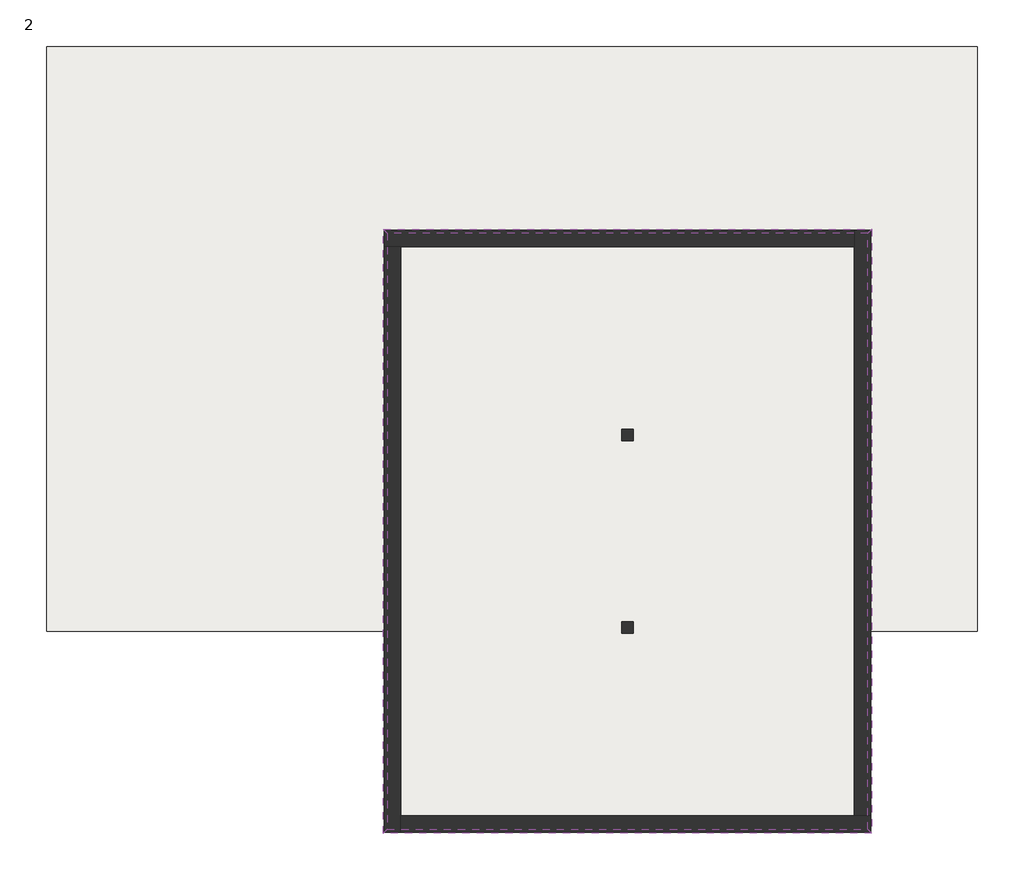
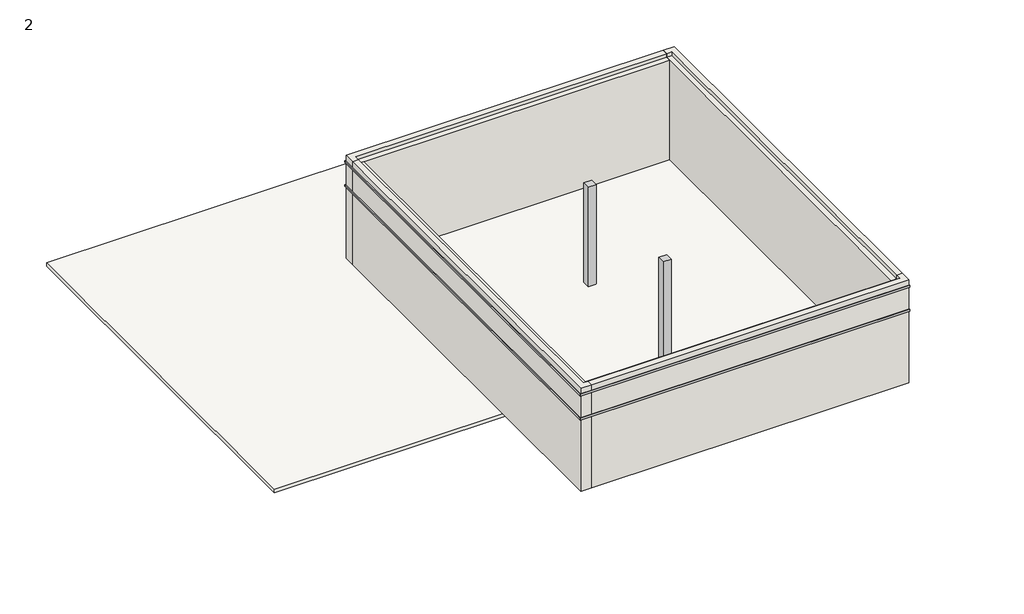
# One storey: 8 proxies, 4 walls, 2 columns, 1 slab.
"""IFC4 building model written with IfcOpenShell, lengths in millimetres."""

from ifc_helpers import new_model, si_unit, frame, origin, place, context, project, spatial, polyline, outline, extrude, faceted_brep, element, save

model = new_model("IFC4")

# Units and contexts
model_context = context("Model", 3, world=origin())
ifc_project = project(units=[si_unit("LENGTHUNIT", "METRE", prefix="MILLI")], contexts=[model_context])

# Site, building, storey
site = spatial("IfcSite", under=ifc_project)
building = spatial("IfcBuilding", under=site)
storey = spatial("IfcBuildingStorey", under=building, Name="2", Elevation=8400.0)

# Proxies
placement = place(None, origin())
element("IfcBuildingElementProxy", 1, Name="Reveals", at=placement, inside=storey, context=model_context, shape_type="SweptSolid", body=[
    extrude(outline(polyline([(-7298.387527, 10039.0054116), (-7400.887527, 10141.5054116), (5291.112473, 10141.5054116), (5188.612473, 10039.0054116), (-7298.387527, 10039.0054116)])), frame((0.0, 0.0, 11325.0), z_axis=(0.0, 0.0, 1.0), x_axis=(1.0, 0.0, 0.0)), (0.0, 0.0, 1.0), 75.0),
])
element("IfcBuildingElementProxy", 2, Name="Reveals", at=placement, inside=storey, context=model_context, shape_type="SweptSolid", body=[
    extrude(outline(polyline([(-7298.387527, 10039.0054116), (-7400.887527, 10141.5054116), (5291.112473, 10141.5054116), (5188.612473, 10039.0054116), (-7298.387527, 10039.0054116)])), frame((0.0, 0.0, 12300.0), z_axis=(0.0, 0.0, 1.0), x_axis=(1.0, 0.0, 0.0)), (0.0, 0.0, 1.0), 75.0),
])
element("IfcBuildingElementProxy", 3, Name="Reveals", at=placement, inside=storey, context=model_context, shape_type="SweptSolid", body=[
    extrude(outline(polyline([(-7298.387527, -5454.9945884), (-7400.887527, -5557.4945884), (-7400.887527, 10141.5054116), (-7298.387527, 10039.0054116), (-7298.387527, -5454.9945884)])), frame((0.0, 0.0, 11325.0), z_axis=(0.0, 0.0, 1.0), x_axis=(1.0, 0.0, 0.0)), (0.0, 0.0, 1.0), 75.0),
])
element("IfcBuildingElementProxy", 4, Name="Reveals", at=placement, inside=storey, context=model_context, shape_type="SweptSolid", body=[
    extrude(outline(polyline([(-7298.387527, -5454.9945884), (-7400.887527, -5557.4945884), (-7400.887527, 10141.5054116), (-7298.387527, 10039.0054116), (-7298.387527, -5454.9945884)])), frame((0.0, 0.0, 12300.0), z_axis=(0.0, 0.0, 1.0), x_axis=(1.0, 0.0, 0.0)), (0.0, 0.0, 1.0), 75.0),
])
element("IfcBuildingElementProxy", 5, Name="Reveals", at=placement, inside=storey, context=model_context, shape_type="SweptSolid", body=[
    extrude(outline(polyline([(5188.612473, -5454.9945884), (5291.112473, -5557.4945884), (-7400.887527, -5557.4945884), (-7298.387527, -5454.9945884), (5188.612473, -5454.9945884)])), frame((0.0, 0.0, 11325.0), z_axis=(0.0, 0.0, 1.0), x_axis=(1.0, 0.0, 0.0)), (0.0, 0.0, 1.0), 75.0),
])
element("IfcBuildingElementProxy", 6, Name="Reveals", at=placement, inside=storey, context=model_context, shape_type="SweptSolid", body=[
    extrude(outline(polyline([(5188.612473, -5454.9945884), (5291.112473, -5557.4945884), (-7400.887527, -5557.4945884), (-7298.387527, -5454.9945884), (5188.612473, -5454.9945884)])), frame((0.0, 0.0, 12300.0), z_axis=(0.0, 0.0, 1.0), x_axis=(1.0, 0.0, 0.0)), (0.0, 0.0, 1.0), 75.0),
])
element("IfcBuildingElementProxy", 7, Name="Reveals", at=placement, inside=storey, context=model_context, shape_type="SweptSolid", body=[
    extrude(outline(polyline([(5188.612473, 10039.0054116), (5291.112473, 10141.5054116), (5291.112473, -5557.4945884), (5188.612473, -5454.9945884), (5188.612473, 10039.0054116)])), frame((0.0, 0.0, 11325.0), z_axis=(0.0, 0.0, 1.0), x_axis=(1.0, 0.0, 0.0)), (0.0, 0.0, 1.0), 75.0),
])
element("IfcBuildingElementProxy", 8, Name="Reveals", at=placement, inside=storey, context=model_context, shape_type="SweptSolid", body=[
    extrude(outline(polyline([(5188.612473, 10039.0054116), (5291.112473, 10141.5054116), (5291.112473, -5557.4945884), (5188.612473, -5454.9945884), (5188.612473, 10039.0054116)])), frame((0.0, 0.0, 12300.0), z_axis=(0.0, 0.0, 1.0), x_axis=(1.0, 0.0, 0.0)), (0.0, 0.0, 1.0), 75.0),
])

# Columns
element("IfcColumn", 9, ObjectType="300 x 300 mm", at=placement, inside=storey, context=model_context, shape_type="SweptSolid", body=[
    extrude(outline(polyline([(-908.387527, 4942.0054116), (-908.387527, 4642.0054116), (-1208.387527, 4642.0054116), (-1208.387527, 4942.0054116), (-908.387527, 4942.0054116)])), frame((0.0, 0.0, 8400.0), z_axis=(0.0, 0.0, 1.0), x_axis=(1.0, 0.0, 0.0)), (0.0, 0.0, 1.0), 4050.0),
])
element("IfcColumn", 10, ObjectType="300 x 300 mm", at=placement, inside=storey, context=model_context, shape_type="SweptSolid", body=[
    extrude(outline(polyline([(-908.387527, -57.9945884), (-908.387527, -357.9945884), (-1208.387527, -357.9945884), (-1208.387527, -57.9945884), (-908.387527, -57.9945884)])), frame((0.0, 0.0, 8400.0), z_axis=(0.0, 0.0, 1.0), x_axis=(1.0, 0.0, 0.0)), (0.0, 0.0, 1.0), 4050.0),
])

# Slab
element("IfcSlab", 11, at=placement, inside=storey, context=model_context, shape_type="Brep", body=[
    faceted_brep([(8036.612473, 14887.0054116, 8250.0), (8036.612473, 14685.0054116, 8250.0), (8036.612473, -302.9945884, 8250.0), (7834.612473, -302.9945884, 8250.0), (5036.612473, -302.9945884, 8250.0), (5036.612473, -529.9945884, 8250.0), (5036.612473, -5302.9945884, 8250.0), (4834.612473, -5302.9945884, 8250.0), (-7153.387527, -5302.9945884, 8250.0), (-7153.387527, -5100.9945884, 8250.0), (-7153.387527, -302.9945884, 8250.0), (-7380.387527, -302.9945884, 8250.0), (-16153.387527, -302.9945884, 8250.0), (-16153.387527, -100.9945884, 8250.0), (-16153.387527, 14685.0054116, 8250.0), (-16153.387527, 14887.0054116, 8250.0), (8036.612473, 14887.0054116, 8400.0), (-16153.387527, 14887.0054116, 8400.0), (-16153.387527, 14685.0054116, 8400.0), (-16153.387527, -100.9945884, 8400.0), (-16153.387527, -302.9945884, 8400.0), (-7380.387527, -302.9945884, 8400.0), (-7153.387527, -302.9945884, 8400.0), (-7153.387527, -5100.9945884, 8400.0), (-7153.387527, -5302.9945884, 8400.0), (4834.612473, -5302.9945884, 8400.0), (5036.612473, -5302.9945884, 8400.0), (5036.612473, -529.9945884, 8400.0), (5036.612473, -302.9945884, 8400.0), (7834.612473, -302.9945884, 8400.0), (8036.612473, -302.9945884, 8400.0), (8036.612473, 14685.0054116, 8400.0)], [[[0, 1, 2, 3, 4, 5, 6, 7, 8, 9, 10, 11, 12, 13, 14, 15]], [[16, 17, 18, 19, 20, 21, 22, 23, 24, 25, 26, 27, 28, 29, 30, 31]], [[2, 1, 0, 16, 31, 30]], [[4, 3, 2, 30, 29, 28]], [[6, 5, 4, 28, 27, 26]], [[8, 7, 6, 26, 25, 24]], [[10, 9, 8, 24, 23, 22]], [[12, 11, 10, 22, 21, 20]], [[15, 14, 13, 12, 20, 19, 18, 17]], [[0, 15, 17, 16]]]),
])

# Walls
element("IfcWall", 12, at=placement, inside=storey, context=model_context, shape_type="Brep", body=[
    faceted_brep([(-7373.387527, 9685.0054116, 8400.0), (-6944.387527, 9685.0054116, 8400.0), (4834.612473, 9685.0054116, 8400.0), (4834.612473, 9685.0054116, 12450.0), (-6944.387527, 9685.0054116, 12450.0), (-7146.387527, 9685.0054116, 12450.0), (-7146.387527, 9685.0054116, 12600.0), (-7373.387527, 9685.0054116, 12600.0), (-7373.387527, 9685.0054116, 12375.0), (-7298.387527, 9685.0054116, 12375.0), (-7298.387527, 9685.0054116, 12300.0), (-7373.387527, 9685.0054116, 12300.0), (-7373.387527, 9685.0054116, 11400.0), (-7298.387527, 9685.0054116, 11400.0), (-7298.387527, 9685.0054116, 11325.0), (-7373.387527, 9685.0054116, 11325.0), (-7373.387527, 10114.0054116, 12600.0), (4834.612473, 10114.0054116, 12600.0), (4834.612473, 10114.0054116, 12375.0), (-7373.387527, 10114.0054116, 12375.0), (4834.612473, 10114.0054116, 8400.0), (-7373.387527, 10114.0054116, 8400.0), (-7373.387527, 10114.0054116, 11325.0), (4834.612473, 10114.0054116, 11325.0), (4834.612473, 10114.0054116, 12300.0), (4834.612473, 10114.0054116, 11400.0), (-7373.387527, 10114.0054116, 11400.0), (-7373.387527, 10114.0054116, 12300.0), (-7146.387527, 9887.0054116, 12600.0), (4834.612473, 9887.0054116, 12600.0), (-7373.387527, 10089.0054116, 8400.0), (4834.612473, 10089.0054116, 8400.0), (4834.612473, 10039.0054116, 11325.0), (4834.612473, 10039.0054116, 11400.0), (4834.612473, 10039.0054116, 12300.0), (4834.612473, 10039.0054116, 12375.0), (4834.612473, 9887.0054116, 12450.0), (-7298.387527, 10039.0054116, 11325.0), (-7298.387527, 10039.0054116, 11400.0), (-7298.387527, 10039.0054116, 12300.0), (-7298.387527, 10039.0054116, 12375.0), (-7146.387527, 9887.0054116, 12450.0)], [[[0, 1, 2, 3, 4, 5, 6, 7, 8, 9, 10, 11, 12, 13, 14, 15]], [[16, 17, 18, 19]], [[20, 21, 22, 23]], [[24, 25, 26, 27]], [[17, 16, 7, 6, 28, 29]], [[7, 16, 19, 8]], [[30, 0, 15, 22, 21]], [[27, 26, 12, 11]], [[2, 31, 20, 23, 32, 33, 25, 24, 34, 35, 18, 17, 29, 36, 3]], [[2, 1, 0, 30, 31]], [[30, 21, 20, 31]], [[37, 38, 33, 32]], [[39, 40, 35, 34]], [[33, 38, 13, 12, 26, 25]], [[37, 32, 23, 22, 15, 14]], [[38, 37, 14, 13]], [[35, 40, 9, 8, 19, 18]], [[39, 34, 24, 27, 11, 10]], [[40, 39, 10, 9]], [[36, 41, 5, 4, 3]], [[41, 28, 6, 5]], [[28, 41, 36, 29]]]),
])
element("IfcWall", 13, at=placement, inside=storey, context=model_context, shape_type="Brep", body=[
    faceted_brep([(-6944.387527, -5529.9945884, 8400.0), (-6944.387527, -5100.9945884, 8400.0), (-6944.387527, 9685.0054116, 8400.0), (-6944.387527, 9685.0054116, 12450.0), (-6944.387527, -5302.9945884, 12450.0), (-6944.387527, -5302.9945884, 12600.0), (-6944.387527, -5529.9945884, 12600.0), (-6944.387527, -5529.9945884, 12375.0), (-6944.387527, -5454.9945884, 12375.0), (-6944.387527, -5454.9945884, 12300.0), (-6944.387527, -5529.9945884, 12300.0), (-6944.387527, -5529.9945884, 11400.0), (-6944.387527, -5454.9945884, 11400.0), (-6944.387527, -5454.9945884, 11325.0), (-6944.387527, -5529.9945884, 11325.0), (-7373.387527, -5529.9945884, 12600.0), (-7373.387527, 9685.0054116, 12600.0), (-7373.387527, 9685.0054116, 12375.0), (-7373.387527, -5529.9945884, 12375.0), (-7373.387527, 9685.0054116, 8400.0), (-7373.387527, -5529.9945884, 8400.0), (-7373.387527, -5529.9945884, 11325.0), (-7373.387527, 9685.0054116, 11325.0), (-7373.387527, 9685.0054116, 12300.0), (-7373.387527, 9685.0054116, 11400.0), (-7373.387527, -5529.9945884, 11400.0), (-7373.387527, -5529.9945884, 12300.0), (-7146.387527, -5302.9945884, 12600.0), (-7146.387527, 9685.0054116, 12600.0), (-7348.387527, -5529.9945884, 8400.0), (-7348.387527, 9685.0054116, 8400.0), (-7298.387527, 9685.0054116, 11325.0), (-7298.387527, 9685.0054116, 11400.0), (-7298.387527, 9685.0054116, 12300.0), (-7298.387527, 9685.0054116, 12375.0), (-7146.387527, 9685.0054116, 12450.0), (-7298.387527, -5454.9945884, 11325.0), (-7298.387527, -5454.9945884, 11400.0), (-7298.387527, -5454.9945884, 12300.0), (-7298.387527, -5454.9945884, 12375.0), (-7146.387527, -5302.9945884, 12450.0)], [[[0, 1, 2, 3, 4, 5, 6, 7, 8, 9, 10, 11, 12, 13, 14]], [[15, 16, 17, 18]], [[19, 20, 21, 22]], [[23, 24, 25, 26]], [[16, 15, 6, 5, 27, 28]], [[6, 15, 18, 7]], [[29, 0, 14, 21, 20]], [[26, 25, 11, 10]], [[2, 30, 19, 22, 31, 32, 24, 23, 33, 34, 17, 16, 28, 35, 3]], [[2, 1, 0, 29, 30]], [[29, 20, 19, 30]], [[36, 37, 32, 31]], [[38, 39, 34, 33]], [[32, 37, 12, 11, 25, 24]], [[36, 31, 22, 21, 14, 13]], [[37, 36, 13, 12]], [[34, 39, 8, 7, 18, 17]], [[38, 33, 23, 26, 10, 9]], [[39, 38, 9, 8]], [[35, 40, 4, 3]], [[40, 27, 5, 4]], [[27, 40, 35, 28]]]),
])
element("IfcWall", 14, at=placement, inside=storey, context=model_context, shape_type="Brep", body=[
    faceted_brep([(5263.612473, -5100.9945884, 8400.0), (4834.612473, -5100.9945884, 8400.0), (-6944.387527, -5100.9945884, 8400.0), (-6944.387527, -5100.9945884, 12450.0), (4834.612473, -5100.9945884, 12450.0), (5036.612473, -5100.9945884, 12450.0), (5036.612473, -5100.9945884, 12600.0), (5263.612473, -5100.9945884, 12600.0), (5263.612473, -5100.9945884, 12375.0), (5188.612473, -5100.9945884, 12375.0), (5188.612473, -5100.9945884, 12300.0), (5263.612473, -5100.9945884, 12300.0), (5263.612473, -5100.9945884, 11400.0), (5188.612473, -5100.9945884, 11400.0), (5188.612473, -5100.9945884, 11325.0), (5263.612473, -5100.9945884, 11325.0), (5263.612473, -5529.9945884, 12600.0), (-6944.387527, -5529.9945884, 12600.0), (-6944.387527, -5529.9945884, 12375.0), (5263.612473, -5529.9945884, 12375.0), (-6944.387527, -5529.9945884, 8400.0), (5263.612473, -5529.9945884, 8400.0), (5263.612473, -5529.9945884, 11325.0), (-6944.387527, -5529.9945884, 11325.0), (-6944.387527, -5529.9945884, 12300.0), (-6944.387527, -5529.9945884, 11400.0), (5263.612473, -5529.9945884, 11400.0), (5263.612473, -5529.9945884, 12300.0), (5036.612473, -5302.9945884, 12600.0), (-6944.387527, -5302.9945884, 12600.0), (5263.612473, -5504.9945884, 8400.0), (-6944.387527, -5504.9945884, 8400.0), (-6944.387527, -5454.9945884, 11325.0), (-6944.387527, -5454.9945884, 11400.0), (-6944.387527, -5454.9945884, 12300.0), (-6944.387527, -5454.9945884, 12375.0), (-6944.387527, -5302.9945884, 12450.0), (5188.612473, -5454.9945884, 11325.0), (5188.612473, -5454.9945884, 11400.0), (5188.612473, -5454.9945884, 12300.0), (5188.612473, -5454.9945884, 12375.0), (5036.612473, -5302.9945884, 12450.0)], [[[0, 1, 2, 3, 4, 5, 6, 7, 8, 9, 10, 11, 12, 13, 14, 15]], [[16, 17, 18, 19]], [[20, 21, 22, 23]], [[24, 25, 26, 27]], [[17, 16, 7, 6, 28, 29]], [[7, 16, 19, 8]], [[30, 0, 15, 22, 21]], [[27, 26, 12, 11]], [[2, 31, 20, 23, 32, 33, 25, 24, 34, 35, 18, 17, 29, 36, 3]], [[2, 1, 0, 30, 31]], [[30, 21, 20, 31]], [[37, 38, 33, 32]], [[39, 40, 35, 34]], [[33, 38, 13, 12, 26, 25]], [[37, 32, 23, 22, 15, 14]], [[38, 37, 14, 13]], [[35, 40, 9, 8, 19, 18]], [[39, 34, 24, 27, 11, 10]], [[40, 39, 10, 9]], [[36, 41, 5, 4, 3]], [[41, 28, 6, 5]], [[28, 41, 36, 29]]]),
])
element("IfcWall", 15, at=placement, inside=storey, context=model_context, shape_type="Brep", body=[
    faceted_brep([(4834.612473, 10114.0054116, 8400.0), (4834.612473, 9685.0054116, 8400.0), (4834.612473, -5100.9945884, 8400.0), (4834.612473, -5100.9945884, 12450.0), (4834.612473, 9685.0054116, 12450.0), (4834.612473, 9887.0054116, 12450.0), (4834.612473, 9887.0054116, 12600.0), (4834.612473, 10114.0054116, 12600.0), (4834.612473, 10114.0054116, 12375.0), (4834.612473, 10039.0054116, 12375.0), (4834.612473, 10039.0054116, 12300.0), (4834.612473, 10114.0054116, 12300.0), (4834.612473, 10114.0054116, 11400.0), (4834.612473, 10039.0054116, 11400.0), (4834.612473, 10039.0054116, 11325.0), (4834.612473, 10114.0054116, 11325.0), (5263.612473, 10114.0054116, 12600.0), (5263.612473, -5100.9945884, 12600.0), (5263.612473, -5100.9945884, 12375.0), (5263.612473, 10114.0054116, 12375.0), (5263.612473, -5100.9945884, 8400.0), (5263.612473, 10114.0054116, 8400.0), (5263.612473, 10114.0054116, 11325.0), (5263.612473, -5100.9945884, 11325.0), (5263.612473, -5100.9945884, 11400.0), (5263.612473, 10114.0054116, 11400.0), (5263.612473, 10114.0054116, 12300.0), (5263.612473, -5100.9945884, 12300.0), (5036.612473, 9887.0054116, 12600.0), (5036.612473, -5100.9945884, 12600.0), (5238.612473, 10114.0054116, 8400.0), (5238.612473, -5100.9945884, 8400.0), (5188.612473, -5100.9945884, 11325.0), (5188.612473, -5100.9945884, 11400.0), (5188.612473, -5100.9945884, 12300.0), (5188.612473, -5100.9945884, 12375.0), (5036.612473, -5100.9945884, 12450.0), (5188.612473, 10039.0054116, 11400.0), (5188.612473, 10039.0054116, 11325.0), (5188.612473, 10039.0054116, 12375.0), (5188.612473, 10039.0054116, 12300.0), (5036.612473, 9887.0054116, 12450.0)], [[[0, 1, 2, 3, 4, 5, 6, 7, 8, 9, 10, 11, 12, 13, 14, 15]], [[16, 17, 18, 19]], [[20, 21, 22, 23]], [[24, 25, 26, 27]], [[17, 16, 7, 6, 28, 29]], [[7, 16, 19, 8]], [[30, 0, 15, 22, 21]], [[25, 12, 11, 26]], [[2, 31, 20, 23, 32, 33, 24, 27, 34, 35, 18, 17, 29, 36, 3]], [[2, 1, 0, 30, 31]], [[30, 21, 20, 31]], [[33, 37, 13, 12, 25, 24]], [[14, 38, 32, 23, 22, 15]], [[37, 38, 14, 13]], [[38, 37, 33, 32]], [[35, 39, 9, 8, 19, 18]], [[10, 40, 34, 27, 26, 11]], [[39, 40, 10, 9]], [[40, 39, 35, 34]], [[41, 5, 4, 3, 36]], [[28, 41, 36, 29]], [[41, 28, 6, 5]]]),
])

save(model, "model.ifc")
